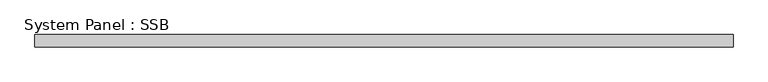
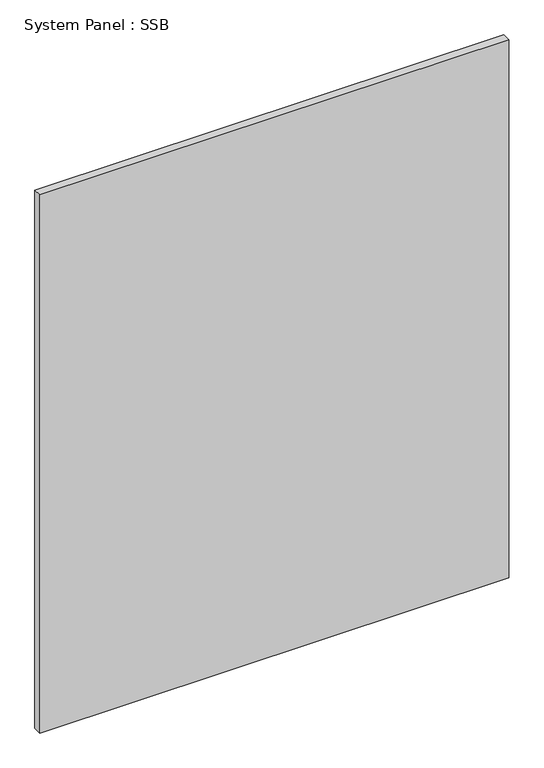
"""IFC4 building model written with IfcOpenShell, lengths in millimetres: plate geometry, System Panel : SSB."""

from ifc_helpers import new_model, si_unit, origin, origin_with_axes, place, context, project, spatial, polyline, outline, extrude, source, transform, mapped, element, save


def system_panel_ssb_61e402c9(model_context):
    return source(origin(), model_context, "Body", "SweptSolid", [
        extrude(outline(polyline([(719.93125, 18.25625), (-719.93125, 18.25625), (-719.93125, 43.65625), (719.93125, 43.65625), (719.93125, 18.25625)])), origin_with_axes(), (0.0, 0.0, 1.0), 1746.25),
    ])


if __name__ == "__main__":
    model = new_model("IFC4")
    model_context = context("Model", 3, world=origin())
    ifc_project = project(units=[si_unit("LENGTHUNIT", "METRE", prefix="MILLI")], contexts=[model_context])
    site = spatial("IfcSite", under=ifc_project)
    building = spatial("IfcBuilding", under=site)
    placement = place(None, origin())
    system_panel_ssb_shape = system_panel_ssb_61e402c9(model_context)
    element("IfcPlate", 1, ObjectType="System Panel : SSB", at=placement, inside=building, context=model_context, shape_type="MappedRepresentation", body=[
        mapped(system_panel_ssb_shape, transform((0.0, 0.0, 0.0), x_axis=(1.0, 0.0, 0.0), y_axis=(0.0, 1.0, 0.0), z_axis=(0.0, 0.0, 1.0))),
    ])
    save(model, "model.ifc")
